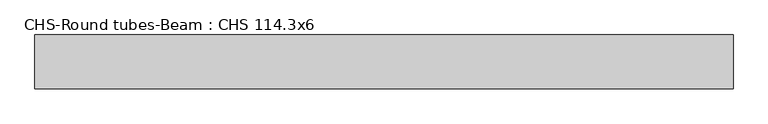
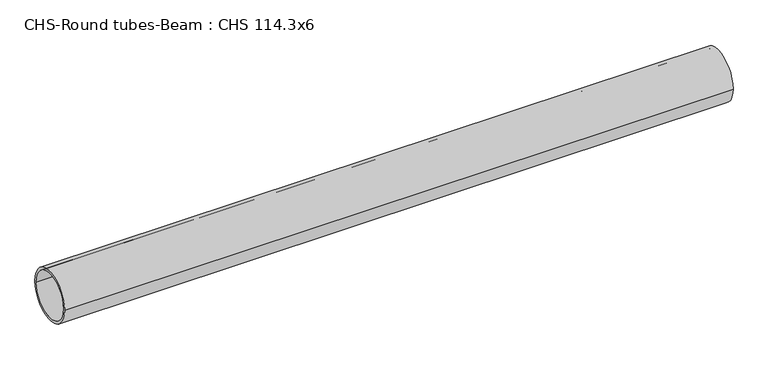
"""IFC4 building model written with IfcOpenShell, lengths in millimetres: beam geometry, CHS-Round tubes-Beam : CHS 114.3x6."""

from ifc_helpers import new_model, si_unit, point, frame, origin, origin_2d, place, context, project, spatial, circle_curve, trimmed, segment, composite_curve, outline, extrude, source, transform, mapped, element, save


def chs_round_tubes_beam_chs_114_3x6_ed67fe78(model_context):
    return source(origin(), model_context, "Body", "SweptSolid", [
        extrude(outline(composite_curve([segment(trimmed(circle_curve(origin_2d(), 57.15), [point((57.15, 0.0))], [point((-57.15, 0.0))], False, "CARTESIAN"), True, "CONTINUOUS"), segment(trimmed(circle_curve(origin_2d(), 57.15), [point((-57.15, 0.0))], [point((57.15, 0.0))], False, "CARTESIAN"), True, "CONTINUOUS")], self_intersect=False), holes=[composite_curve([segment(trimmed(circle_curve(origin_2d(), 51.15), [point((51.15, 0.0))], [point((-51.15, 0.0))], True, "CARTESIAN"), True, "CONTINUOUS"), segment(trimmed(circle_curve(origin_2d(), 51.15), [point((-51.15, 0.0))], [point((51.15, 0.0))], True, "CARTESIAN"), True, "CONTINUOUS")], self_intersect=False)]), frame((-746.7617473, 0.0, 0.0), z_axis=(1.0, 0.0, 0.0), x_axis=(0.0, 1.0, 0.0)), (0.0, 0.0, 1.0), 1477.7815062),
    ])


if __name__ == "__main__":
    model = new_model("IFC4")
    model_context = context("Model", 3, world=origin())
    ifc_project = project(units=[si_unit("LENGTHUNIT", "METRE", prefix="MILLI")], contexts=[model_context])
    site = spatial("IfcSite", under=ifc_project)
    building = spatial("IfcBuilding", under=site)
    placement = place(None, origin())
    chs_round_tubes_beam_chs_114_3x6_shape = chs_round_tubes_beam_chs_114_3x6_ed67fe78(model_context)
    element("IfcBeam", 1, ObjectType="CHS-Round tubes-Beam : CHS 114.3x6", at=placement, inside=building, context=model_context, shape_type="MappedRepresentation", body=[
        mapped(chs_round_tubes_beam_chs_114_3x6_shape, transform((0.0, 0.0, 0.0), x_axis=(1.0, 0.0, 0.0), y_axis=(0.0, 1.0, 0.0), z_axis=(0.0, 0.0, 1.0))),
    ])
    save(model, "model.ifc")
